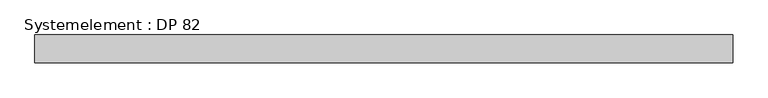
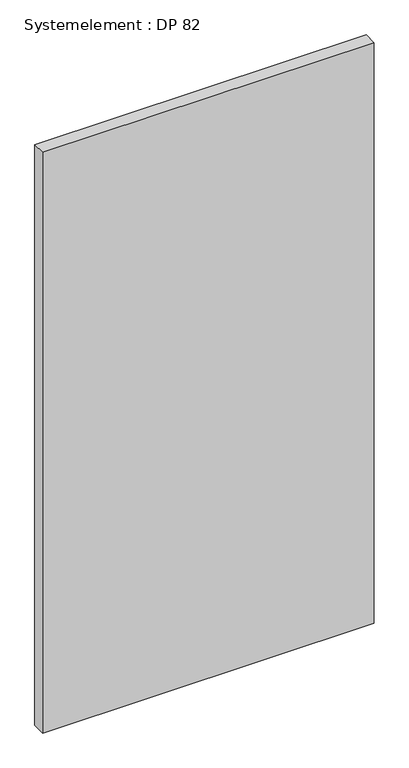
"""IFC4 building model written with IfcOpenShell, lengths in millimetres: plate geometry, Systemelement : DP 82."""

from ifc_helpers import new_model, si_unit, origin, origin_with_axes, place, context, project, spatial, polyline, outline, extrude, source, transform, mapped, element, save


def systemelement_dp_82_e15be646(model_context):
    return source(origin(), model_context, "Body", "SweptSolid", [
        extrude(outline(polyline([(500.0, -40.0), (-500.0, -40.0), (-500.0, 0.0), (500.0, 0.0), (500.0, -40.0)])), origin_with_axes(), (0.0, 0.0, 1.0), 1851.6147161),
    ])


if __name__ == "__main__":
    model = new_model("IFC4")
    model_context = context("Model", 3, world=origin())
    ifc_project = project(units=[si_unit("LENGTHUNIT", "METRE", prefix="MILLI")], contexts=[model_context])
    site = spatial("IfcSite", under=ifc_project)
    building = spatial("IfcBuilding", under=site)
    placement = place(None, origin())
    systemelement_dp_82_shape = systemelement_dp_82_e15be646(model_context)
    element("IfcPlate", 1, ObjectType="Systemelement : DP 82", at=placement, inside=building, context=model_context, shape_type="MappedRepresentation", body=[
        mapped(systemelement_dp_82_shape, transform((0.0, 0.0, 0.0), x_axis=(1.0, 0.0, 0.0), y_axis=(0.0, 1.0, 0.0), z_axis=(0.0, 0.0, 1.0))),
    ])
    save(model, "model.ifc")
